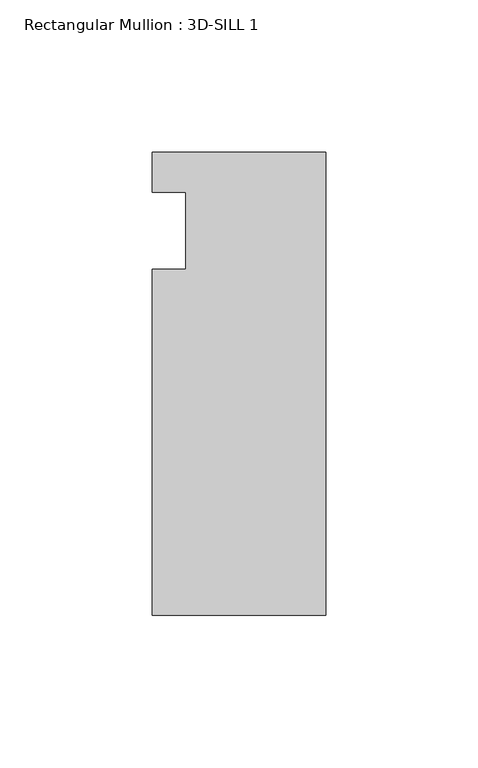
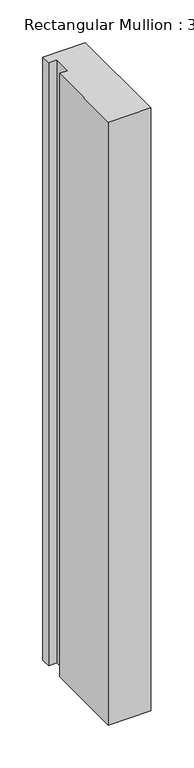
"""IFC4 building model written with IfcOpenShell, lengths in millimetres: member geometry, Rectangular Mullion : 3D-SILL 1."""

import ifcopenshell
import ifcopenshell.guid

model = None  # the IFC model being written
_history = None  # IfcOwnerHistory: only IFC2X3 demands one
_inside = {}  # id of a spatial element -> (the spatial element, [elements in it])
_under = {}  # id of a project, library or spatial element -> (it, [spatial elements below it])
_declared = {}  # id of a project -> (the project, [libraries it declares])
_typed = {}  # id of a type object -> (the type object, [elements of that type])
_made_of = {}  # id of a material, layer set ... -> (it, [elements and type objects made of it])


def new_model(schema):
    """Start an empty IFC model of exactly this schema.

    Asked for "IFC4X3", IfcOpenShell would pick the latest addendum, in which some entities
    have other attributes; the version numbers below select the first issue.
    IFC2X3 requires an IfcOwnerHistory on every rooted entity: one is made here for all.
    """
    global model, _history
    if schema == "IFC4X3":
        model = ifcopenshell.file(schema_version=(4, 3, 0, 0))
    else:
        model = ifcopenshell.file(schema=schema)
    _inside.clear()
    _under.clear()
    _declared.clear()
    _typed.clear()
    _made_of.clear()
    _history = None
    if model.schema == "IFC2X3":
        org = make("IfcOrganization", Name="unknown")
        user = make(
            "IfcPersonAndOrganization",
            ThePerson=make("IfcPerson", FamilyName="unknown"),
            TheOrganization=org,
        )
        app = make(
            "IfcApplication",
            ApplicationDeveloper=org,
            Version="unknown",
            ApplicationFullName="unknown",
            ApplicationIdentifier="unknown",
        )
        _history = make(
            "IfcOwnerHistory",
            OwningUser=user,
            OwningApplication=app,
            ChangeAction="ADDED",
            CreationDate=0,
        )
    return model


def make(cls, **values):
    """One entity of the class cls with the attributes given. An attribute that is None is left unset."""
    return model.create_entity(
        cls, **{name: value for name, value in values.items() if value is not None}
    )


def rooted(cls, **values):
    """An entity with a GlobalId (a new one), such as an element, a storey or a relation."""
    return make(cls, GlobalId=ifcopenshell.guid.new(), OwnerHistory=_history, **values)


def si_unit(unit_type, name, prefix=None):
    """IfcSIUnit, for example si_unit("LENGTHUNIT", "METRE", prefix="MILLI")."""
    return make("IfcSIUnit", UnitType=unit_type, Prefix=prefix, Name=name)


def assignment(units):
    """IfcUnitAssignment: the units of a project."""
    return None if units is None else make("IfcUnitAssignment", Units=units)


def point(xyz):
    """IfcCartesianPoint."""
    return None if xyz is None else make("IfcCartesianPoint", Coordinates=xyz)


def direction(xyz):
    """IfcDirection."""
    return None if xyz is None else make("IfcDirection", DirectionRatios=xyz)


def frame(location, z_axis=None, x_axis=None):
    """IfcAxis2Placement3D, a coordinate frame: its origin and axes. An axis left out is left unset."""
    return make(
        "IfcAxis2Placement3D",
        Location=point(location),
        Axis=direction(z_axis),
        RefDirection=direction(x_axis),
    )


def origin():
    """The frame at (0, 0, 0) with its axes left unset."""
    return frame((0.0, 0.0, 0.0))


def place(relative_to, where):
    """IfcLocalPlacement: puts the frame where relative to a parent placement (None: the world)."""
    return make(
        "IfcLocalPlacement", PlacementRelTo=relative_to, RelativePlacement=where
    )


def context(
    kind, dimensions, precision=None, world=None, true_north=None, identifier=None
):
    """IfcGeometricRepresentationContext, for example the 3D "Model" context."""
    return make(
        "IfcGeometricRepresentationContext",
        ContextIdentifier=identifier,
        ContextType=kind,
        CoordinateSpaceDimension=dimensions,
        Precision=precision,
        WorldCoordinateSystem=world,
        TrueNorth=true_north,
    )


def project(units=None, contexts=None):
    """IfcProject with its units and contexts."""
    return rooted(
        "IfcProject",
        Name="project",
        RepresentationContexts=contexts,
        UnitsInContext=assignment(units),
    )


def spatial(cls, under=None, at=None, **own):
    """A site, building, storey or space (cls), placed at a placement, below another one or the project."""
    s = rooted(cls, ObjectPlacement=at, **own)
    if under is not None:
        _under.setdefault(under.id(), (under, []))[1].append(s)
    return s


def polyline(points):
    """IfcPolyline through the points."""
    return make("IfcPolyline", Points=[point(p) for p in points])


def outline(outer, holes=None, kind="AREA"):
    """IfcArbitraryClosedProfileDef: a profile drawn as a closed curve; with holes, ...WithVoids."""
    if holes is None:
        return make("IfcArbitraryClosedProfileDef", ProfileType=kind, OuterCurve=outer)
    return make(
        "IfcArbitraryProfileDefWithVoids",
        ProfileType=kind,
        OuterCurve=outer,
        InnerCurves=holes,
    )


def extrude(swept, where, along, depth):
    """IfcExtrudedAreaSolid: the profile swept, set in the frame where, extruded along a direction by depth."""
    return make(
        "IfcExtrudedAreaSolid",
        SweptArea=swept,
        Position=where,
        ExtrudedDirection=direction(along),
        Depth=depth,
    )


def shape(context_of_items, identifier, shape_type, items):
    """IfcShapeRepresentation: the items that make up one representation, for example the "Body"."""
    return make(
        "IfcShapeRepresentation",
        ContextOfItems=context_of_items,
        RepresentationIdentifier=identifier,
        RepresentationType=shape_type,
        Items=items,
    )


def source(mapping_origin, context_of_items, identifier, shape_type, items):
    """IfcRepresentationMap: a shape defined once, which mapped items show again and again."""
    return make(
        "IfcRepresentationMap",
        MappingOrigin=mapping_origin,
        MappedRepresentation=shape(context_of_items, identifier, shape_type, items),
    )


def transform(
    local_origin,
    x_axis=None,
    y_axis=None,
    z_axis=None,
    scale=None,
    scale2=None,
    scale3=None,
    uniform=True,
):
    """IfcCartesianTransformationOperator3D, or its non-uniform kind. x_axis, y_axis, z_axis: its Axis1, 2, 3."""
    if uniform:
        return make(
            "IfcCartesianTransformationOperator3D",
            Axis1=direction(x_axis),
            Axis2=direction(y_axis),
            LocalOrigin=point(local_origin),
            Scale=scale,
            Axis3=direction(z_axis),
        )
    return make(
        "IfcCartesianTransformationOperator3DnonUniform",
        Axis1=direction(x_axis),
        Axis2=direction(y_axis),
        LocalOrigin=point(local_origin),
        Scale=scale,
        Axis3=direction(z_axis),
        Scale2=scale2,
        Scale3=scale3,
    )


def mapped(mapping_source, mapping_target):
    """IfcMappedItem: shows the shape of a source again, moved by a transform."""
    return make(
        "IfcMappedItem", MappingSource=mapping_source, MappingTarget=mapping_target
    )


def made_of(thing, what):
    """Note that an element or type object is made of a material, layer set ...; save() writes the relation."""
    if what is not None:
        _made_of.setdefault(what.id(), (what, []))[1].append(thing)
    return thing


def element(
    cls,
    number,
    at=None,
    inside=None,
    cuts=None,
    type_object=None,
    material=None,
    context=None,
    identifier="Body",
    shape_type=None,
    held_by="IfcProductDefinitionShape",
    body=None,
    shapes=None,
    **own,
):
    """One element of the class cls, such as IfcWall. Its Tag is "e" and its number.

    at: its placement. inside: the storey or other place that contains it. cuts: it is an
    opening in that element (IfcRelVoidsElement). A single representation is given by context,
    identifier, shape_type and body (its items); several are given by shapes. held_by: the class
    of the entity that holds the representations. save() writes the other relations.
    """
    e = rooted(cls, Tag="e%d" % number, ObjectPlacement=at, **own)
    if body is not None:
        shapes = [shape(context, identifier, shape_type, body)]
    if shapes is not None:
        e.Representation = make(held_by, Representations=shapes)
    if inside is not None:
        _inside.setdefault(inside.id(), (inside, []))[1].append(e)
    if cuts is not None:
        rooted(
            "IfcRelVoidsElement", RelatingBuildingElement=cuts, RelatedOpeningElement=e
        )
    if type_object is not None:
        _typed.setdefault(type_object.id(), (type_object, []))[1].append(e)
    return made_of(e, material)


def aggregate(whole, parts):
    """IfcRelAggregates: a whole, such as a stair, and the parts it consists of."""
    return rooted("IfcRelAggregates", RelatingObject=whole, RelatedObjects=parts)


def save(model, path):
    """Write the relations noted so far, then the file.

    IfcRelAggregates (storeys below a building ...), IfcRelContainedInSpatialStructure (elements
    in a storey), IfcRelDefinesByType, IfcRelAssociatesMaterial and IfcRelDeclares: one each for
    every whole, place, type object, material and project.
    """
    for whole, parts in _under.values():
        aggregate(whole, parts)
    for where, things in _inside.values():
        rooted(
            "IfcRelContainedInSpatialStructure",
            RelatedElements=things,
            RelatingStructure=where,
        )
    for kind, things in _typed.values():
        rooted("IfcRelDefinesByType", RelatedObjects=things, RelatingType=kind)
    for what, things in _made_of.values():
        rooted("IfcRelAssociatesMaterial", RelatedObjects=things, RelatingMaterial=what)
    for by, libraries in _declared.values():
        rooted("IfcRelDeclares", RelatingContext=by, RelatedDefinitions=libraries)
    model.write(path)


def rectangular_mullion_3d_sill_1_baed6710(model_context):
    return source(origin(), model_context, "Body", "SweptSolid", [
        extrude(outline(polyline([(-57.15, 7.14375), (0.0, 7.14375), (0.0, -145.25625), (-57.15, -145.25625), (-57.15, -31.45155), (-46.0375, -31.45155), (-46.0375, -6.05155), (-57.15, -6.05155), (-57.15, 7.14375)])), frame((0.0, 0.0, -857.25), z_axis=(0.0, 0.0, 1.0), x_axis=(1.0, 0.0, 0.0)), (0.0, 0.0, 1.0), 857.25),
    ])


if __name__ == "__main__":
    model = new_model("IFC4")
    model_context = context("Model", 3, world=origin())
    ifc_project = project(units=[si_unit("LENGTHUNIT", "METRE", prefix="MILLI")], contexts=[model_context])
    site = spatial("IfcSite", under=ifc_project)
    building = spatial("IfcBuilding", under=site)
    placement = place(None, origin())
    rectangular_mullion_3d_sill_1_shape = rectangular_mullion_3d_sill_1_baed6710(model_context)
    element("IfcMember", 1, ObjectType="Rectangular Mullion : 3D-SILL 1", at=placement, inside=building, context=model_context, shape_type="MappedRepresentation", body=[
        mapped(rectangular_mullion_3d_sill_1_shape, transform((0.0, 0.0, 0.0), x_axis=(1.0, 0.0, 0.0), y_axis=(0.0, 1.0, 0.0), z_axis=(0.0, 0.0, 1.0))),
    ])
    save(model, "model.ifc")
